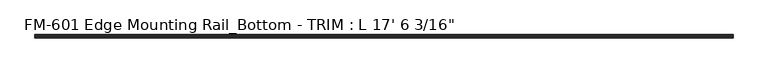
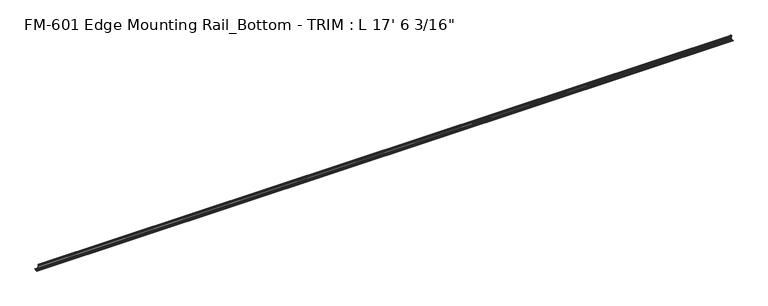
"""IFC4 building model written with IfcOpenShell, lengths in millimetres: proxy geometry."""

from ifc_helpers import new_model, si_unit, frame, origin, place, context, project, spatial, polyline, circle_curve, source, transform, mapped, element, save
from ifc_brep_helpers import plane_surface, cylinder_surface, revolved_surface, advanced_brep


def proxy_c9e4a5f4(model_context):
    return source(origin(), model_context, "Body", "AdvancedBrep", [
        advanced_brep(
        [(5338.7625, 13.6400687, 32.1158903), (5338.7625, 11.9462301, 30.7938136), (5338.7625, 13.6400687, 26.2967369), (5338.7625, 15.4364113, 25.7360779), (5338.7625, 16.1779173, 26.4138515), (5338.7625, 16.9376166, 27.3612928), (5338.7625, 17.4625, 26.8535734), (5338.7625, 17.4625, 15.6659614), (5338.7625, 17.9716639, 14.7485418), (5338.7625, 17.9716639, 13.408381), (5338.7625, 17.4625, 12.4909614), (5338.7625, 17.4625, 3.5152595), (5338.7625, 15.5573314, 1.6102595), (5338.7625, 6.3856306, 1.6017951), (5338.7625, 3.2106952, 1.5874273), (5338.7625, -1.2463179, 1.5874273), (5338.7625, -4.3959179, 1.5874273), (5338.7625, -8.266326, 1.5874273), (5338.7625, -8.266326, 0.0), (5338.7625, 19.05, 0.0), (5338.7625, 19.05, 29.1395734), (5338.7625, 17.7424378, 29.1395734), (5338.7625, 16.1549378, 30.7270734), (5338.7625, 16.1549378, 32.2686835), (5338.7625, 15.4750158, 32.6885982), (0.0, 19.05, 0.0), (0.0, -8.266326, 0.0), (0.0, -8.266326, 1.5874273), (0.0, -4.3959179, 1.5874273), (0.0, -1.2463179, 1.5874273), (0.0, 3.2106952, 1.5874273), (0.0, 6.3856306, 1.6017951), (0.0, 15.5573314, 1.6102595), (0.0, 16.3241505, 1.7713352), (0.0, 19.05, 1.7713352), (25.4, 15.4750158, 32.6885982), (25.4, 13.6400687, 32.1158903), (25.4, 16.1549378, 32.2686835), (25.4, 16.1549378, 30.7270734), (25.4, 17.7424378, 29.1395734), (25.4, 19.05, 29.1395734), (25.4, 19.05, 1.7713352), (25.4, 17.4625, 3.5152595), (25.4, 16.3241505, 1.7713352), (25.4, 17.4625, 12.4909614), (25.4, 17.9716639, 13.408381), (25.4, 17.9716639, 14.7485418), (25.4, 17.4625, 15.6659614), (25.4, 17.4625, 26.8535734), (25.4, 16.9376166, 27.3612928), (25.4, 16.1779173, 26.4138515), (25.4, 15.4364113, 25.7360779), (25.4, 13.6400687, 26.2967369), (25.4, 11.9462301, 30.7938136)],
        [
            (0, 1, circle_curve(frame((5338.7625, 14.5481808, 29.2063136), z_axis=(1.0, 0.0, 0.0), x_axis=(0.0, -1.0, 0.0)), 3.048)),
            (1, 2, circle_curve(frame((5338.7625, 14.5481808, 29.2063136), z_axis=(1.0, 0.0, 0.0), x_axis=(0.0, -1.0, 0.0)), 3.048)),
            (2, 3),
            (3, 4, circle_curve(frame((5338.7625, 15.6245238, 26.2747792), z_axis=(1.0, 0.0, 0.0), x_axis=(0.0, -1.0, 0.0)), 0.5706009)),
            (4, 5, circle_curve(frame((5338.7625, 16.9169378, 26.5995734), z_axis=(-1.0, 0.0, 0.0), x_axis=(0.0, -1.0, 0.0)), 0.762)),
            (5, 6, circle_curve(frame((5338.7625, 16.9545, 26.8535734), z_axis=(-1.0, 0.0, 0.0), x_axis=(0.0, -1.0, 0.0)), 0.508)),
            (6, 7),
            (7, 8),
            (8, 9),
            (9, 10),
            (10, 11),
            (11, 12, circle_curve(frame((5338.7625, 15.5575, 3.5152595), z_axis=(-1.0, 0.0, 0.0), x_axis=(0.0, -1.0, 0.0)), 1.905)),
            (12, 13),
            (13, 14, circle_curve(frame((5338.7625, 4.7981954, 1.5874273), z_axis=(1.0, 0.0, 0.0), x_axis=(0.0, -1.0, 0.0)), 1.5875002)),
            (14, 15),
            (15, 16, circle_curve(frame((5338.7625, -2.8211179, 1.5874273), z_axis=(1.0, 0.0, 0.0), x_axis=(0.0, -1.0, 0.0)), 1.5748)),
            (16, 17),
            (17, 18),
            (18, 19),
            (19, 20),
            (20, 21),
            (21, 22, circle_curve(frame((5338.7625, 17.7424378, 30.7270734), z_axis=(-1.0, 0.0, 0.0), x_axis=(0.0, -1.0, 0.0)), 1.5875)),
            (22, 23),
            (23, 24, circle_curve(frame((5338.7625, 15.6853088, 32.2686835), z_axis=(1.0, 0.0, 0.0), x_axis=(0.0, -1.0, 0.0)), 0.4696291)),
            (24, 0),
            (25, 26),
            (26, 27),
            (27, 28),
            (28, 29, circle_curve(frame((0.0, -2.8211179, 1.5874273), z_axis=(-1.0, 0.0, 0.0), x_axis=(0.0, -1.0, 0.0)), 1.5748)),
            (29, 30),
            (30, 31, circle_curve(frame((0.0, 4.7981954, 1.5874273), z_axis=(-1.0, 0.0, 0.0), x_axis=(0.0, -1.0, 0.0)), 1.5875002)),
            (31, 32),
            (32, 33, circle_curve(frame((0.0, 15.5575, 3.5152595), z_axis=(1.0, 0.0, 0.0), x_axis=(0.0, -1.0, 0.0)), 1.905)),
            (33, 34),
            (34, 25),
            (24, 35),
            (35, 36),
            (36, 0),
            (23, 37),
            (37, 35, circle_curve(frame((25.4, 15.6853088, 32.2686835), z_axis=(1.0, 0.0, 0.0), x_axis=(0.0, -1.0, 0.0)), 0.4696291)),
            (22, 38),
            (38, 37),
            (21, 39),
            (39, 38, circle_curve(frame((25.4, 17.7424378, 30.7270734), z_axis=(-1.0, 0.0, 0.0), x_axis=(0.0, -1.0, 0.0)), 1.5875)),
            (20, 40),
            (40, 39),
            (19, 25),
            (34, 41),
            (41, 40),
            (18, 26),
            (11, 42),
            (42, 43, circle_curve(frame((25.4, 15.5575, 3.5152595), z_axis=(-1.0, 0.0, 0.0), x_axis=(0.0, -1.0, 0.0)), 1.905)),
            (43, 33),
            (32, 12),
            (10, 44),
            (44, 42),
            (9, 45),
            (45, 44),
            (8, 46),
            (46, 45),
            (7, 47),
            (47, 46),
            (6, 48),
            (48, 47),
            (5, 49),
            (49, 48, circle_curve(frame((25.4, 16.9545, 26.8535734), z_axis=(-1.0, 0.0, 0.0), x_axis=(0.0, -1.0, 0.0)), 0.508)),
            (4, 50),
            (50, 49, circle_curve(frame((25.4, 16.9169378, 26.5995734), z_axis=(-1.0, 0.0, 0.0), x_axis=(0.0, -1.0, 0.0)), 0.762)),
            (3, 51),
            (51, 50, circle_curve(frame((25.4, 15.6245238, 26.2747792), z_axis=(1.0, 0.0, 0.0), x_axis=(0.0, -1.0, 0.0)), 0.5706009)),
            (2, 52),
            (52, 51),
            (1, 53),
            (53, 52, circle_curve(frame((25.4, 14.5481808, 29.2063136), z_axis=(1.0, 0.0, 0.0), x_axis=(0.0, -1.0, 0.0)), 3.048)),
            (36, 53, circle_curve(frame((25.4, 14.5481808, 29.2063136), z_axis=(1.0, 0.0, 0.0), x_axis=(0.0, -1.0, 0.0)), 3.048)),
            (14, 30),
            (29, 15),
            (13, 31),
            (17, 27),
            (16, 28),
            (41, 43),
        ],
        [
            plane_surface(frame((5338.7625, 13.6400687, 32.1158903), z_axis=(1.0, 0.0, 0.0), x_axis=(0.0, -0.9545855229405116, -0.2979370393092978))),
            plane_surface(frame((0.0, 13.6400687, 32.1158903), z_axis=(-1.0, 0.0, 0.0), x_axis=(0.0, 0.9545855229405116, 0.2979370393092978))),
            plane_surface(frame((0.0, 13.6400687, 32.1158903), z_axis=(0.0, -0.2979370393092978, 0.9545855229405116), x_axis=(1.0, 0.0, 0.0))),
            cylinder_surface(frame((5338.7625, 15.6853088, 32.2686835), z_axis=(-1.0, 0.0, 0.0), x_axis=(0.0, -1.0, 0.0)), 0.4696291),
            plane_surface(frame((0.0, 16.1549378, 32.2686835), z_axis=(0.0, 1.0, 0.0), x_axis=(1.0, 0.0, 0.0))),
            revolved_surface(polyline([(5338.7625, 16.154937800000003, 30.7270734), (25.399999999999636, 16.154937800000003, 30.7270734)]), (5338.7625, 17.7424378, 30.7270734), (1.0, 0.0, 0.0)),
            plane_surface(frame((0.0, 17.7424378, 29.1395734), z_axis=(0.0, 0.0, 1.0), x_axis=(1.0, 0.0, 0.0))),
            plane_surface(frame((0.0, 19.05, 29.1395734), z_axis=(0.0, 1.0, 0.0), x_axis=(1.0, 0.0, 0.0))),
            plane_surface(frame((0.0, 19.05, 0.0), z_axis=(0.0, 0.0, -1.0), x_axis=(1.0, 0.0, 0.0))),
            revolved_surface(polyline([(5338.7625, 13.6525, 3.5152595), (0.0, 13.6525, 3.5152595)]), (5338.7625, 15.5575, 3.5152595), (1.0, 0.0, 0.0)),
            plane_surface(frame((0.0, 17.4625, 3.5152595), z_axis=(0.0, -1.0, 0.0), x_axis=(1.0, 0.0, 0.0))),
            plane_surface(frame((0.0, 17.4625, 12.4909614), z_axis=(0.0, -0.8743650443659691, 0.48526875975164224), x_axis=(1.0, 0.0, 0.0))),
            plane_surface(frame((0.0, 17.9716639, 13.408381), z_axis=(0.0, -1.0, 0.0), x_axis=(1.0, 0.0, 0.0))),
            plane_surface(frame((0.0, 17.9716639, 14.7485418), z_axis=(0.0, -0.8743650443696134, -0.48526875974507594), x_axis=(1.0, 0.0, 0.0))),
            plane_surface(frame((0.0, 17.4625, 15.6659614), z_axis=(0.0, -1.0, 0.0), x_axis=(1.0, 0.0, 0.0))),
            revolved_surface(polyline([(5338.7625, 16.4465, 26.8535734), (25.399999999999636, 16.4465, 26.8535734)]), (5338.7625, 16.9545, 26.8535734), (1.0, 0.0, 0.0)),
            revolved_surface(polyline([(5338.7625, 16.1549378, 26.5995734), (25.399999999999636, 16.1549378, 26.5995734)]), (5338.7625, 16.9169378, 26.5995734), (1.0, 0.0, 0.0)),
            cylinder_surface(frame((5338.7625, 15.6245238, 26.2747792), z_axis=(-1.0, 0.0, 0.0), x_axis=(0.0, -1.0, 0.0)), 0.5706009),
            plane_surface(frame((0.0, 15.4364113, 25.7360779), z_axis=(0.0, -0.29793703931023136, -0.9545855229402203), x_axis=(1.0, 0.0, 0.0))),
            cylinder_surface(frame((5338.7625, 14.5481808, 29.2063136), z_axis=(-1.0, 0.0, 0.0), x_axis=(0.0, -1.0, 0.0)), 3.048),
            plane_surface(frame((0.0, -1.2463179, 1.5874273), z_axis=(0.0, 0.0, 1.0), x_axis=(1.0, 0.0, 0.0))),
            cylinder_surface(frame((5338.7625, 4.7981954, 1.5874273), z_axis=(-1.0, 0.0, 0.0), x_axis=(0.0, -1.0, 0.0)), 1.5875002),
            plane_surface(frame((0.0, 6.3856306, 1.6017951), z_axis=(0.0, -0.0009228808718886492, 0.9999995741453576), x_axis=(1.0, 0.0, 0.0))),
            plane_surface(frame((0.0, -8.266326, 0.0), z_axis=(0.0, -1.0, 0.0), x_axis=(1.0, 0.0, 0.0))),
            plane_surface(frame((0.0, -8.266326, 1.5874273), z_axis=(0.0, 0.0, 1.0), x_axis=(1.0, 0.0, 0.0))),
            cylinder_surface(frame((5338.7625, -2.8211179, 1.5874273), z_axis=(-1.0, 0.0, 0.0), x_axis=(0.0, -1.0, 0.0)), 1.5748),
            plane_surface(frame((25.4, 10.5333885, 1.7713352), z_axis=(-1.0, 0.0, 0.0), x_axis=(0.0, 1.0, 0.0))),
            plane_surface(frame((0.0, 10.5333885, 1.7713352), z_axis=(0.0, 0.0, 1.0), x_axis=(0.0, 1.0, 0.0))),
        ],
        [
            (0, [[1, 2, 3, 4, 5, 6, 7, 8, 9, 10, 11, 12, 13, 14, 15, 16, 17, 18, 19, 20, 21, 22, 23, 24, 25]]),
            (1, [[26, 27, 28, 29, 30, 31, 32, 33, 34, 35]]),
            (2, [[-25, 36, 37, 38]]),
            (3, [[-24, 39, 40, -36]]),
            (4, [[-23, 41, 42, -39]]),
            (5, [[-22, 43, 44, -41]]),
            (6, [[-21, 45, 46, -43]]),
            (7, [[-20, 47, -35, 48, 49, -45]]),
            (8, [[-19, 50, -26, -47]]),
            (9, [[-12, 51, 52, 53, -33, 54]]),
            (10, [[-11, 55, 56, -51]]),
            (11, [[-10, 57, 58, -55]]),
            (12, [[-9, 59, 60, -57]]),
            (13, [[-8, 61, 62, -59]]),
            (14, [[-7, 63, 64, -61]]),
            (15, [[-6, 65, 66, -63]]),
            (16, [[-5, 67, 68, -65]]),
            (17, [[-4, 69, 70, -67]]),
            (18, [[-3, 71, 72, -69]]),
            (19, [[-2, 73, 74, -71]]),
            (19, [[-1, -38, 75, -73]]),
            (20, [[-15, 76, -30, 77]]),
            (21, [[-14, 78, -31, -76]]),
            (22, [[-13, -54, -32, -78]]),
            (23, [[-18, 79, -27, -50]]),
            (24, [[-17, 80, -28, -79]]),
            (25, [[-16, -77, -29, -80]]),
            (26, [[81, -52, -56, -58, -60, -62, -64, -66, -68, -70, -72, -74, -75, -37, -40, -42, -44, -46, -49]]),
            (27, [[-81, -48, -34, -53]]),
        ],
    ),
    ])


if __name__ == "__main__":
    model = new_model("IFC4")
    model_context = context("Model", 3, world=origin())
    ifc_project = project(units=[si_unit("LENGTHUNIT", "METRE", prefix="MILLI")], contexts=[model_context])
    site = spatial("IfcSite", under=ifc_project)
    building = spatial("IfcBuilding", under=site)
    placement = place(None, origin())
    proxy_shape = proxy_c9e4a5f4(model_context)
    element("IfcBuildingElementProxy", 1, Name="FM-601 Edge Mounting Rail_Bottom - TRIM : L 17' 6 3/16\"", ObjectType="FM-601 Edge Mounting Rail_Bottom - TRIM : L 17' 6 3/16\"", at=placement, inside=building, context=model_context, shape_type="MappedRepresentation", body=[
        mapped(proxy_shape, transform((0.0, 0.0, 0.0), x_axis=(1.0, 0.0, 0.0), y_axis=(0.0, 1.0, 0.0), z_axis=(0.0, 0.0, 1.0))),
    ])
    save(model, "model.ifc")
